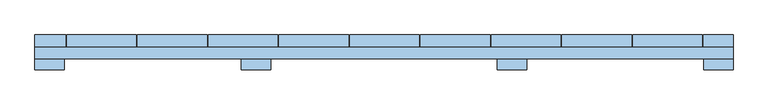
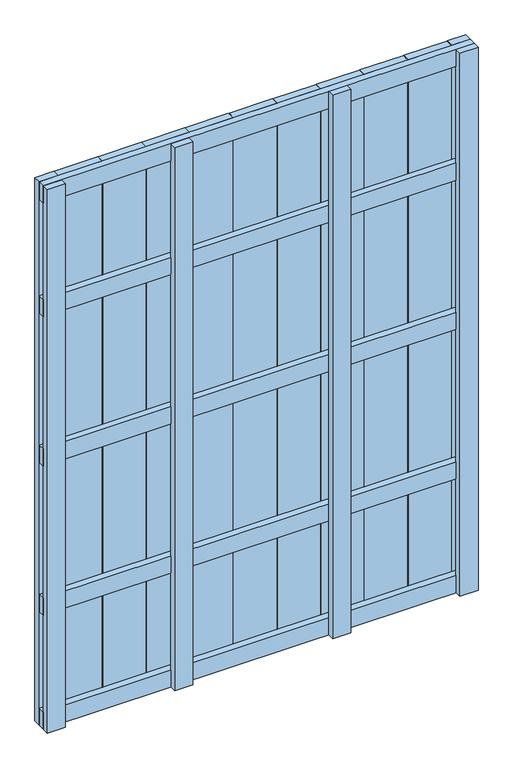
"""IFC4 building model written with IfcOpenShell, lengths in millimetres: window geometry."""

from ifc_helpers import new_model, si_unit, frame, origin, place, context, project, spatial, polyline, outline, extrude, source, transform, mapped, element, save


def window_4041ddfa(model_context):
    return source(origin(), model_context, "Body", "SweptSolid", [
        extrude(outline(polyline([(750.0, 148.0), (750.0, 124.0), (-750.0, 124.0), (-750.0, 148.0), (750.0, 148.0)])), frame((0.0, 0.0, 1618.5), z_axis=(0.0, 0.0, 1.0), x_axis=(1.0, 0.0, 0.0)), (0.0, 0.0, 1.0), 63.0),
        extrude(outline(polyline([(750.0, 148.0), (750.0, 124.0), (-750.0, 124.0), (-750.0, 148.0), (750.0, 148.0)])), frame((0.0, 0.0, 1068.5), z_axis=(0.0, 0.0, 1.0), x_axis=(1.0, 0.0, 0.0)), (0.0, 0.0, 1.0), 63.0),
        extrude(outline(polyline([(750.0, 148.0), (750.0, 124.0), (-750.0, 124.0), (-750.0, 148.0), (750.0, 148.0)])), frame((0.0, 0.0, 518.5), z_axis=(0.0, 0.0, 1.0), x_axis=(1.0, 0.0, 0.0)), (0.0, 0.0, 1.0), 63.0),
        extrude(outline(polyline([(750.0, 148.0), (750.0, 124.0), (-750.0, 124.0), (-750.0, 148.0), (750.0, 148.0)])), frame((0.0, 0.0, 2037.0), z_axis=(0.0, 0.0, 1.0), x_axis=(1.0, 0.0, 0.0)), (0.0, 0.0, 1.0), 63.0),
        extrude(outline(polyline([(750.0, 148.0), (750.0, 124.0), (-750.0, 124.0), (-750.0, 148.0), (750.0, 148.0)])), frame((0.0, 0.0, 100.0), z_axis=(0.0, 0.0, 1.0), x_axis=(1.0, 0.0, 0.0)), (0.0, 0.0, 1.0), 63.0),
        extrude(outline(polyline([(-682.0, 175.0), (-532.0, 175.0), (-532.0, 148.0), (-682.0, 148.0), (-682.0, 175.0)])), frame((0.0, 0.0, 100.0), z_axis=(0.0, 0.0, 1.0), x_axis=(1.0, 0.0, 0.0)), (0.0, 0.0, 1.0), 2000.0),
        extrude(outline(polyline([(-530.0, 175.0), (-380.0, 175.0), (-380.0, 148.0), (-530.0, 148.0), (-530.0, 175.0)])), frame((0.0, 0.0, 100.0), z_axis=(0.0, 0.0, 1.0), x_axis=(1.0, 0.0, 0.0)), (0.0, 0.0, 1.0), 2000.0),
        extrude(outline(polyline([(-378.0, 175.0), (-228.0, 175.0), (-228.0, 148.0), (-378.0, 148.0), (-378.0, 175.0)])), frame((0.0, 0.0, 100.0), z_axis=(0.0, 0.0, 1.0), x_axis=(1.0, 0.0, 0.0)), (0.0, 0.0, 1.0), 2000.0),
        extrude(outline(polyline([(-226.0, 175.0), (-76.0, 175.0), (-76.0, 148.0), (-226.0, 148.0), (-226.0, 175.0)])), frame((0.0, 0.0, 100.0), z_axis=(0.0, 0.0, 1.0), x_axis=(1.0, 0.0, 0.0)), (0.0, 0.0, 1.0), 2000.0),
        extrude(outline(polyline([(-74.0, 175.0), (76.0, 175.0), (76.0, 148.0), (-74.0, 148.0), (-74.0, 175.0)])), frame((0.0, 0.0, 100.0), z_axis=(0.0, 0.0, 1.0), x_axis=(1.0, 0.0, 0.0)), (0.0, 0.0, 1.0), 2000.0),
        extrude(outline(polyline([(78.0, 175.0), (228.0, 175.0), (228.0, 148.0), (78.0, 148.0), (78.0, 175.0)])), frame((0.0, 0.0, 100.0), z_axis=(0.0, 0.0, 1.0), x_axis=(1.0, 0.0, 0.0)), (0.0, 0.0, 1.0), 2000.0),
        extrude(outline(polyline([(230.0, 175.0), (380.0, 175.0), (380.0, 148.0), (230.0, 148.0), (230.0, 175.0)])), frame((0.0, 0.0, 100.0), z_axis=(0.0, 0.0, 1.0), x_axis=(1.0, 0.0, 0.0)), (0.0, 0.0, 1.0), 2000.0),
        extrude(outline(polyline([(382.0, 175.0), (532.0, 175.0), (532.0, 148.0), (382.0, 148.0), (382.0, 175.0)])), frame((0.0, 0.0, 100.0), z_axis=(0.0, 0.0, 1.0), x_axis=(1.0, 0.0, 0.0)), (0.0, 0.0, 1.0), 2000.0),
        extrude(outline(polyline([(534.0, 175.0), (684.0, 175.0), (684.0, 148.0), (534.0, 148.0), (534.0, 175.0)])), frame((0.0, 0.0, 100.0), z_axis=(0.0, 0.0, 1.0), x_axis=(1.0, 0.0, 0.0)), (0.0, 0.0, 1.0), 2000.0),
        extrude(outline(polyline([(-750.0, 175.0), (-684.0, 175.0), (-684.0, 148.0), (-750.0, 148.0), (-750.0, 175.0)])), frame((0.0, 0.0, 100.0), z_axis=(0.0, 0.0, 1.0), x_axis=(1.0, 0.0, 0.0)), (0.0, 0.0, 1.0), 2000.0),
        extrude(outline(polyline([(686.0, 175.0), (750.0, 175.0), (750.0, 148.0), (686.0, 148.0), (686.0, 175.0)])), frame((0.0, 0.0, 100.0), z_axis=(0.0, 0.0, 1.0), x_axis=(1.0, 0.0, 0.0)), (0.0, 0.0, 1.0), 2000.0),
        extrude(outline(polyline([(-306.5, 124.0), (-243.5, 124.0), (-243.5, 100.0), (-306.5, 100.0), (-306.5, 124.0)])), frame((0.0, 0.0, 100.0), z_axis=(0.0, 0.0, 1.0), x_axis=(1.0, 0.0, 0.0)), (0.0, 0.0, 1.0), 2000.0),
        extrude(outline(polyline([(243.5, 124.0), (306.5, 124.0), (306.5, 100.0), (243.5, 100.0), (243.5, 124.0)])), frame((0.0, 0.0, 100.0), z_axis=(0.0, 0.0, 1.0), x_axis=(1.0, 0.0, 0.0)), (0.0, 0.0, 1.0), 2000.0),
        extrude(outline(polyline([(-750.0, 124.0), (-687.0, 124.0), (-687.0, 100.0), (-750.0, 100.0), (-750.0, 124.0)])), frame((0.0, 0.0, 100.0), z_axis=(0.0, 0.0, 1.0), x_axis=(1.0, 0.0, 0.0)), (0.0, 0.0, 1.0), 2000.0),
        extrude(outline(polyline([(687.0, 124.0), (750.0, 124.0), (750.0, 100.0), (687.0, 100.0), (687.0, 124.0)])), frame((0.0, 0.0, 100.0), z_axis=(0.0, 0.0, 1.0), x_axis=(1.0, 0.0, 0.0)), (0.0, 0.0, 1.0), 2000.0),
    ])


if __name__ == "__main__":
    model = new_model("IFC4")
    model_context = context("Model", 3, world=origin())
    ifc_project = project(units=[si_unit("LENGTHUNIT", "METRE", prefix="MILLI")], contexts=[model_context])
    site = spatial("IfcSite", under=ifc_project)
    building = spatial("IfcBuilding", under=site)
    placement = place(None, origin())
    window_shape = window_4041ddfa(model_context)
    element("IfcWindow", 1, at=placement, inside=building, context=model_context, shape_type="MappedRepresentation", body=[
        mapped(window_shape, transform((0.0, 0.0, 0.0), x_axis=(1.0, 0.0, 0.0), y_axis=(0.0, 1.0, 0.0), z_axis=(0.0, 0.0, 1.0))),
    ])
    save(model, "model.ifc")
